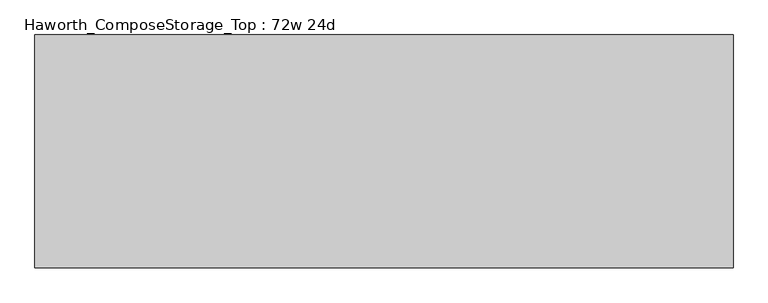
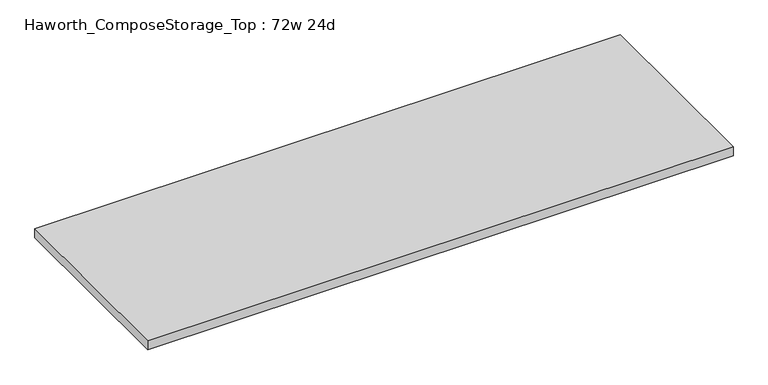
"""IFC4 building model written with IfcOpenShell, lengths in millimetres: furniture geometry, Haworth_ComposeStorage_Top : 72w 24d."""

from ifc_helpers import new_model, si_unit, frame, origin, place, context, project, spatial, polyline, outline, extrude, source, transform, mapped, element, save


def haworth_composestorage_top_72w_24d_2de20143(model_context):
    return source(origin(), model_context, "Body", "SweptSolid", [
        extrude(outline(polyline([(914.4, 304.8), (914.4, -304.8), (-914.4, -304.8), (-914.4, 304.8), (914.4, 304.8)])), frame((0.0, 0.0, 706.4375), z_axis=(0.0, 0.0, 1.0), x_axis=(1.0, 0.0, 0.0)), (0.0, 0.0, 1.0), 30.1625),
    ])


if __name__ == "__main__":
    model = new_model("IFC4")
    model_context = context("Model", 3, world=origin())
    ifc_project = project(units=[si_unit("LENGTHUNIT", "METRE", prefix="MILLI")], contexts=[model_context])
    site = spatial("IfcSite", under=ifc_project)
    building = spatial("IfcBuilding", under=site)
    placement = place(None, origin())
    haworth_composestorage_top_72w_24d_shape = haworth_composestorage_top_72w_24d_2de20143(model_context)
    element("IfcFurniture", 1, ObjectType="Haworth_ComposeStorage_Top : 72w 24d", at=placement, inside=building, context=model_context, shape_type="MappedRepresentation", body=[
        mapped(haworth_composestorage_top_72w_24d_shape, transform((0.0, 0.0, 0.0), x_axis=(1.0, 0.0, 0.0), y_axis=(0.0, 1.0, 0.0), z_axis=(0.0, 0.0, 1.0))),
    ])
    save(model, "model.ifc")
